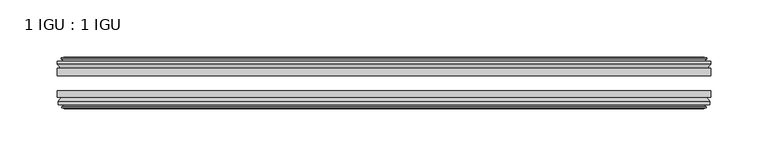
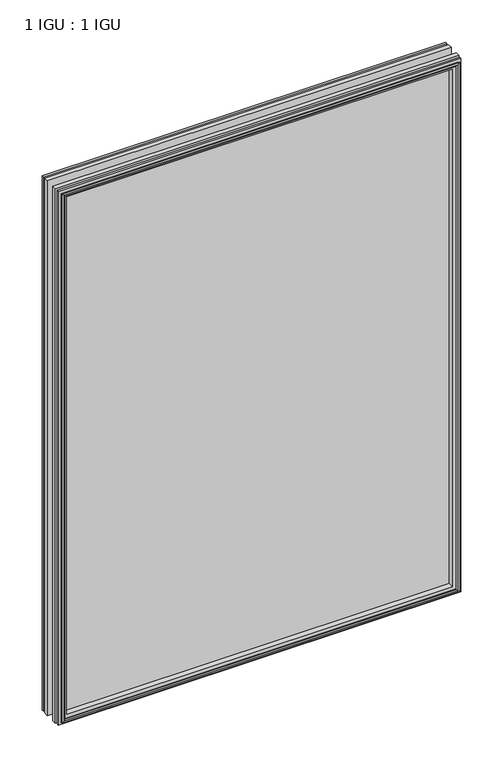
"""IFC4 building model written with IfcOpenShell, lengths in millimetres: plate geometry, 1 IGU : 1 IGU."""

from ifc_helpers import new_model, si_unit, frame, origin, place, context, project, spatial, polyline, outline, extrude, faceted_brep, source, transform, mapped, element, save


def plate_1_igu_1_igu_1073da3b(model_context):
    return source(origin(), model_context, "Body", "SolidModel", [
        extrude(outline(polyline([(285.75, -19.5460937), (285.75, -25.8960938), (-285.75, -25.8960938), (-285.75, -19.5460937), (285.75, -19.5460937)])), frame((0.0, 0.0, -12.7), z_axis=(0.0, 0.0, 1.0), x_axis=(1.0, 0.0, 0.0)), (0.0, 0.0, 1.0), 800.0900593),
        extrude(outline(polyline([(-285.75, -44.9460938), (-285.75, -38.9186737), (285.75, -38.9186737), (285.75, -44.9460938), (-285.75, -44.9460938)])), frame((0.0, 0.0, -12.7), z_axis=(0.0, 0.0, 1.0), x_axis=(1.0, 0.0, 0.0)), (0.0, 0.0, 1.0), 800.0900593),
        faceted_brep([(-280.162, -53.6762907, 781.8020593), (-280.543, -51.2960937, 782.1830593), (-280.543, -51.2960937, -7.493), (-280.162, -53.6762907, -7.112), (-281.5775291, -53.2163575, 783.2175883), (-281.5775291, -53.2163575, -8.5275291), (-281.5775291, -54.0175717, 783.2175883), (-281.5775291, -54.0175717, -8.5275291), (-279.4, -54.7250937, 781.0400593), (-279.4, -54.7250937, -6.35), (-277.2224709, -54.0175717, 778.8625302), (-277.2224709, -54.0175717, -4.1724709), (-277.2224709, -53.2163575, 778.8625302), (-277.2224709, -53.2163575, -4.1724709), (-278.638, -53.6762907, 780.2780593), (-278.638, -53.6762907, -5.588), (-278.257, -51.2960937, 779.8970593), (-278.257, -51.2960937, -5.207), (-271.3322819, -44.9460937, 772.9723412), (-273.05, -51.2960937, 774.6900593), (-273.05, -51.2960937, 0.0), (-271.3322819, -44.9460937, 1.7177181), (-284.988, -48.3496937, 786.6280593), (-282.1536578, -44.9460937, 783.7937171), (-282.1536578, -44.9460937, -9.1036578), (-284.988, -48.3496937, -11.938), (-284.988, -51.2960937, 786.6280593), (-284.988, -51.2960937, -11.938), (280.543, -51.2960938, -7.493), (280.162, -53.6762907, -7.112), (281.5775291, -53.2163575, -8.5275291), (281.5775291, -54.0175717, -8.5275291), (279.4, -54.7250937, -6.35), (277.2224709, -54.0175717, -4.1724709), (277.2224709, -53.2163575, -4.1724709), (278.638, -53.6762907, -5.588), (278.257, -51.2960937, -5.207), (273.05, -51.2960937, 0.0), (271.3322819, -44.9460937, 1.7177181), (282.1536578, -44.9460937, -9.1036578), (284.988, -48.3496937, -11.938), (284.988, -51.2960938, -11.938), (280.543, -51.2960938, 782.1830593), (280.162, -53.6762907, 781.8020593), (281.5775291, -53.2163575, 783.2175883), (281.5775291, -54.0175717, 783.2175883), (279.4, -54.7250937, 781.0400593), (277.2224709, -54.0175717, 778.8625302), (277.2224709, -53.2163575, 778.8625302), (278.638, -53.6762907, 780.2780593), (278.257, -51.2960937, 779.8970593), (273.05, -51.2960937, 774.6900593), (271.3322819, -44.9460937, 772.9723412), (282.1536578, -44.9460937, 783.7937171), (284.988, -48.3496937, 786.6280593), (284.988, -51.2960938, 786.6280593)], [[[0, 1, 2, 3]], [[4, 0, 3, 5]], [[6, 4, 5, 7]], [[8, 6, 7, 9]], [[10, 8, 9, 11]], [[12, 10, 11, 13]], [[14, 12, 13, 15]], [[16, 14, 15, 17]], [[18, 19, 20, 21]], [[22, 23, 24, 25]], [[26, 22, 25, 27]], [[3, 2, 28, 29]], [[5, 3, 29, 30]], [[7, 5, 30, 31]], [[9, 7, 31, 32]], [[11, 9, 32, 33]], [[13, 11, 33, 34]], [[15, 13, 34, 35]], [[17, 15, 35, 36]], [[21, 20, 37, 38]], [[25, 24, 39, 40]], [[27, 25, 40, 41]], [[29, 28, 42, 43]], [[30, 29, 43, 44]], [[31, 30, 44, 45]], [[32, 31, 45, 46]], [[33, 32, 46, 47]], [[34, 33, 47, 48]], [[35, 34, 48, 49]], [[36, 35, 49, 50]], [[38, 37, 51, 52]], [[40, 39, 53, 54]], [[41, 40, 54, 55]], [[27, 41, 55, 26], [1, 42, 28, 2]], [[43, 42, 1, 0]], [[44, 43, 0, 4]], [[45, 44, 4, 6]], [[46, 45, 6, 8]], [[47, 46, 8, 10]], [[48, 47, 10, 12]], [[49, 48, 12, 14]], [[50, 49, 14, 16]], [[17, 36, 50, 16], [19, 51, 37, 20]], [[52, 51, 19, 18]], [[23, 53, 39, 24], [21, 38, 52, 18]], [[54, 53, 23, 22]], [[55, 54, 22, 26]]]),
        faceted_brep([(-282.6743578, -19.5460937, 784.3144171), (-285.5087, -16.1424937, 787.1487593), (-285.5087, -16.1424937, -12.4587), (-282.6743578, -19.5460937, -9.6243578), (-273.5707, -13.1960937, 775.2107593), (-271.8529819, -19.5460937, 773.4930412), (-271.8529819, -19.5460937, 1.1970181), (-273.5707, -13.1960937, -0.5207), (-279.1587, -10.8158968, 780.7987593), (-278.7777, -13.1960937, 780.4177593), (-278.7777, -13.1960937, -5.7277), (-279.1587, -10.8158968, -6.1087), (-277.7431709, -11.27583, 779.3832302), (-277.7431709, -11.27583, -4.6931709), (-277.7431709, -10.4746158, 779.3832302), (-277.7431709, -10.4746158, -4.6931709), (-279.9207, -9.7670937, 781.5607593), (-279.9207, -9.7670937, -6.8707), (-282.0982291, -10.4746158, 783.7382883), (-282.0982291, -10.4746158, -9.0482291), (-282.0982291, -11.27583, 783.7382883), (-282.0982291, -11.27583, -9.0482291), (-280.6827, -10.8158968, 782.3227593), (-280.6827, -10.8158968, -7.6327), (-281.0637, -13.1960937, 782.7037593), (-281.0637, -13.1960937, -8.0137), (-285.5087, -13.1960937, 787.1487593), (-285.5087, -13.1960937, -12.4587), (285.5087, -16.1424937, -12.4587), (282.6743578, -19.5460937, -9.6243578), (271.8529819, -19.5460937, 1.1970181), (273.5707, -13.1960937, -0.5207), (278.7777, -13.1960937, -5.7277), (279.1587, -10.8158968, -6.1087), (277.7431709, -11.27583, -4.6931709), (277.7431709, -10.4746158, -4.6931709), (279.9207, -9.7670937, -6.8707), (282.0982291, -10.4746158, -9.0482291), (282.0982291, -11.27583, -9.0482291), (280.6827, -10.8158968, -7.6327), (281.0637, -13.1960937, -8.0137), (285.5087, -13.1960937, -12.4587), (285.5087, -16.1424937, 787.1487593), (282.6743578, -19.5460937, 784.3144171), (271.8529819, -19.5460937, 773.4930412), (273.5707, -13.1960937, 775.2107593), (278.7777, -13.1960937, 780.4177593), (279.1587, -10.8158968, 780.7987593), (277.7431709, -11.27583, 779.3832302), (277.7431709, -10.4746158, 779.3832302), (279.9207, -9.7670937, 781.5607593), (282.0982291, -10.4746158, 783.7382883), (282.0982291, -11.27583, 783.7382883), (280.6827, -10.8158968, 782.3227593), (281.0637, -13.1960937, 782.7037593), (285.5087, -13.1960937, 787.1487593)], [[[0, 1, 2, 3]], [[4, 5, 6, 7]], [[8, 9, 10, 11]], [[12, 8, 11, 13]], [[14, 12, 13, 15]], [[16, 14, 15, 17]], [[18, 16, 17, 19]], [[20, 18, 19, 21]], [[22, 20, 21, 23]], [[24, 22, 23, 25]], [[1, 26, 27, 2]], [[3, 2, 28, 29]], [[7, 6, 30, 31]], [[11, 10, 32, 33]], [[13, 11, 33, 34]], [[15, 13, 34, 35]], [[17, 15, 35, 36]], [[19, 17, 36, 37]], [[21, 19, 37, 38]], [[23, 21, 38, 39]], [[25, 23, 39, 40]], [[2, 27, 41, 28]], [[29, 28, 42, 43]], [[31, 30, 44, 45]], [[33, 32, 46, 47]], [[34, 33, 47, 48]], [[35, 34, 48, 49]], [[36, 35, 49, 50]], [[37, 36, 50, 51]], [[38, 37, 51, 52]], [[39, 38, 52, 53]], [[40, 39, 53, 54]], [[28, 41, 55, 42]], [[43, 42, 1, 0]], [[3, 29, 43, 0], [5, 44, 30, 6]], [[45, 44, 5, 4]], [[9, 46, 32, 10], [7, 31, 45, 4]], [[47, 46, 9, 8]], [[48, 47, 8, 12]], [[49, 48, 12, 14]], [[50, 49, 14, 16]], [[51, 50, 16, 18]], [[52, 51, 18, 20]], [[53, 52, 20, 22]], [[54, 53, 22, 24]], [[26, 55, 41, 27], [25, 40, 54, 24]], [[42, 55, 26, 1]]]),
    ])


if __name__ == "__main__":
    model = new_model("IFC4")
    model_context = context("Model", 3, world=origin())
    ifc_project = project(units=[si_unit("LENGTHUNIT", "METRE", prefix="MILLI")], contexts=[model_context])
    site = spatial("IfcSite", under=ifc_project)
    building = spatial("IfcBuilding", under=site)
    placement = place(None, origin())
    plate_1_igu_1_igu_shape = plate_1_igu_1_igu_1073da3b(model_context)
    element("IfcPlate", 1, ObjectType="1 IGU : 1 IGU", at=placement, inside=building, context=model_context, shape_type="MappedRepresentation", body=[
        mapped(plate_1_igu_1_igu_shape, transform((0.0, 0.0, 0.0), x_axis=(1.0, 0.0, 0.0), y_axis=(0.0, 1.0, 0.0), z_axis=(0.0, 0.0, 1.0))),
    ])
    save(model, "model.ifc")
